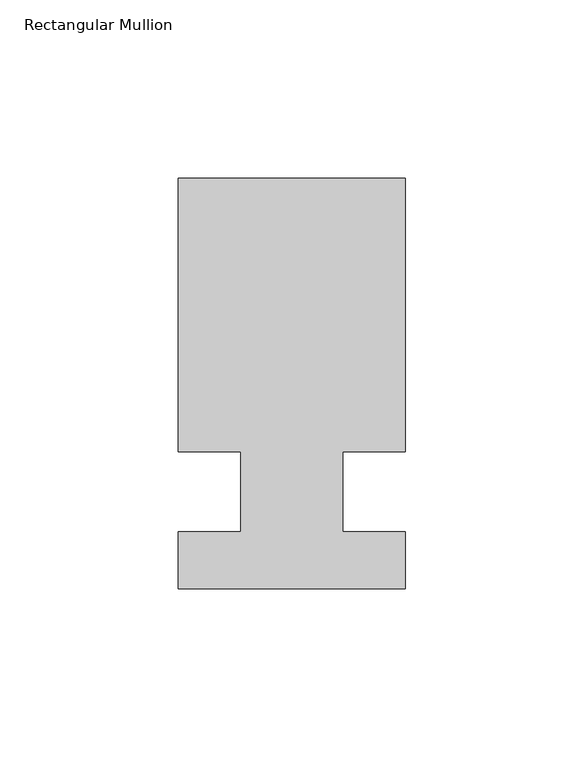
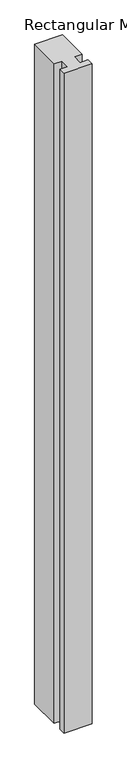
"""IFC4 building model written with IfcOpenShell, lengths in millimetres: member geometry, Rectangular Mullion."""

from ifc_helpers import new_model, si_unit, frame, origin, place, context, project, spatial, polyline, outline, extrude, source, transform, mapped, element, save


def rectangular_mullion_eb0dd430(model_context):
    return source(origin(), model_context, "Body", "SweptSolid", [
        extrude(outline(polyline([(31.75, 114.5309812), (31.75, 38.0007812), (14.2875, 38.0007813), (14.2875, 15.5217812), (31.75, 15.5217812), (31.75, -0.3278188), (-31.75, -0.3278188), (-31.75, 15.5217812), (-14.2875, 15.5217812), (-14.2875, 38.0007812), (-31.75, 38.0007813), (-31.75, 114.5309812), (31.75, 114.5309812)])), frame((0.0, 0.0, -1581.2163745), z_axis=(0.0, 0.0, 1.0), x_axis=(1.0, 0.0, 0.0)), (0.0, 0.0, 1.0), 1581.2163745),
    ])


if __name__ == "__main__":
    model = new_model("IFC4")
    model_context = context("Model", 3, world=origin())
    ifc_project = project(units=[si_unit("LENGTHUNIT", "METRE", prefix="MILLI")], contexts=[model_context])
    site = spatial("IfcSite", under=ifc_project)
    building = spatial("IfcBuilding", under=site)
    placement = place(None, origin())
    rectangular_mullion_shape = rectangular_mullion_eb0dd430(model_context)
    element("IfcMember", 1, ObjectType="Rectangular Mullion", at=placement, inside=building, context=model_context, shape_type="MappedRepresentation", body=[
        mapped(rectangular_mullion_shape, transform((0.0, 0.0, 0.0), x_axis=(1.0, 0.0, 0.0), y_axis=(0.0, 1.0, 0.0), z_axis=(0.0, 0.0, 1.0))),
    ])
    save(model, "model.ifc")
